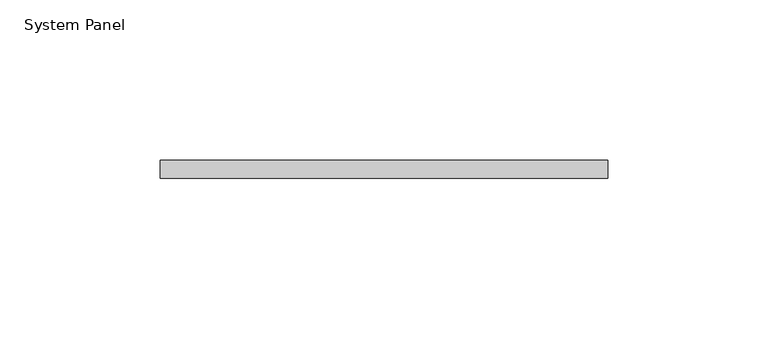
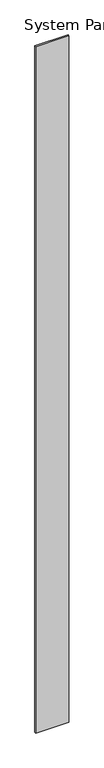
"""IFC4 building model written with IfcOpenShell, lengths in millimetres: plate geometry, System Panel."""

import ifcopenshell
import ifcopenshell.guid

model = None  # the IFC model being written
_history = None  # IfcOwnerHistory: only IFC2X3 demands one
_inside = {}  # id of a spatial element -> (the spatial element, [elements in it])
_under = {}  # id of a project, library or spatial element -> (it, [spatial elements below it])
_declared = {}  # id of a project -> (the project, [libraries it declares])
_typed = {}  # id of a type object -> (the type object, [elements of that type])
_made_of = {}  # id of a material, layer set ... -> (it, [elements and type objects made of it])


def new_model(schema):
    """Start an empty IFC model of exactly this schema.

    Asked for "IFC4X3", IfcOpenShell would pick the latest addendum, in which some entities
    have other attributes; the version numbers below select the first issue.
    IFC2X3 requires an IfcOwnerHistory on every rooted entity: one is made here for all.
    """
    global model, _history
    if schema == "IFC4X3":
        model = ifcopenshell.file(schema_version=(4, 3, 0, 0))
    else:
        model = ifcopenshell.file(schema=schema)
    _inside.clear()
    _under.clear()
    _declared.clear()
    _typed.clear()
    _made_of.clear()
    _history = None
    if model.schema == "IFC2X3":
        org = make("IfcOrganization", Name="unknown")
        user = make(
            "IfcPersonAndOrganization",
            ThePerson=make("IfcPerson", FamilyName="unknown"),
            TheOrganization=org,
        )
        app = make(
            "IfcApplication",
            ApplicationDeveloper=org,
            Version="unknown",
            ApplicationFullName="unknown",
            ApplicationIdentifier="unknown",
        )
        _history = make(
            "IfcOwnerHistory",
            OwningUser=user,
            OwningApplication=app,
            ChangeAction="ADDED",
            CreationDate=0,
        )
    return model


def make(cls, **values):
    """One entity of the class cls with the attributes given. An attribute that is None is left unset."""
    return model.create_entity(
        cls, **{name: value for name, value in values.items() if value is not None}
    )


def rooted(cls, **values):
    """An entity with a GlobalId (a new one), such as an element, a storey or a relation."""
    return make(cls, GlobalId=ifcopenshell.guid.new(), OwnerHistory=_history, **values)


def si_unit(unit_type, name, prefix=None):
    """IfcSIUnit, for example si_unit("LENGTHUNIT", "METRE", prefix="MILLI")."""
    return make("IfcSIUnit", UnitType=unit_type, Prefix=prefix, Name=name)


def assignment(units):
    """IfcUnitAssignment: the units of a project."""
    return None if units is None else make("IfcUnitAssignment", Units=units)


def point(xyz):
    """IfcCartesianPoint."""
    return None if xyz is None else make("IfcCartesianPoint", Coordinates=xyz)


def direction(xyz):
    """IfcDirection."""
    return None if xyz is None else make("IfcDirection", DirectionRatios=xyz)


def frame(location, z_axis=None, x_axis=None):
    """IfcAxis2Placement3D, a coordinate frame: its origin and axes. An axis left out is left unset."""
    return make(
        "IfcAxis2Placement3D",
        Location=point(location),
        Axis=direction(z_axis),
        RefDirection=direction(x_axis),
    )


def origin():
    """The frame at (0, 0, 0) with its axes left unset."""
    return frame((0.0, 0.0, 0.0))


def origin_with_axes():
    """The frame at (0, 0, 0) with the z axis (0, 0, 1) and the x axis (1, 0, 0) written out."""
    return frame((0.0, 0.0, 0.0), z_axis=(0.0, 0.0, 1.0), x_axis=(1.0, 0.0, 0.0))


def place(relative_to, where):
    """IfcLocalPlacement: puts the frame where relative to a parent placement (None: the world)."""
    return make(
        "IfcLocalPlacement", PlacementRelTo=relative_to, RelativePlacement=where
    )


def context(
    kind, dimensions, precision=None, world=None, true_north=None, identifier=None
):
    """IfcGeometricRepresentationContext, for example the 3D "Model" context."""
    return make(
        "IfcGeometricRepresentationContext",
        ContextIdentifier=identifier,
        ContextType=kind,
        CoordinateSpaceDimension=dimensions,
        Precision=precision,
        WorldCoordinateSystem=world,
        TrueNorth=true_north,
    )


def project(units=None, contexts=None):
    """IfcProject with its units and contexts."""
    return rooted(
        "IfcProject",
        Name="project",
        RepresentationContexts=contexts,
        UnitsInContext=assignment(units),
    )


def spatial(cls, under=None, at=None, **own):
    """A site, building, storey or space (cls), placed at a placement, below another one or the project."""
    s = rooted(cls, ObjectPlacement=at, **own)
    if under is not None:
        _under.setdefault(under.id(), (under, []))[1].append(s)
    return s


def polyline(points):
    """IfcPolyline through the points."""
    return make("IfcPolyline", Points=[point(p) for p in points])


def outline(outer, holes=None, kind="AREA"):
    """IfcArbitraryClosedProfileDef: a profile drawn as a closed curve; with holes, ...WithVoids."""
    if holes is None:
        return make("IfcArbitraryClosedProfileDef", ProfileType=kind, OuterCurve=outer)
    return make(
        "IfcArbitraryProfileDefWithVoids",
        ProfileType=kind,
        OuterCurve=outer,
        InnerCurves=holes,
    )


def extrude(swept, where, along, depth):
    """IfcExtrudedAreaSolid: the profile swept, set in the frame where, extruded along a direction by depth."""
    return make(
        "IfcExtrudedAreaSolid",
        SweptArea=swept,
        Position=where,
        ExtrudedDirection=direction(along),
        Depth=depth,
    )


def shape(context_of_items, identifier, shape_type, items):
    """IfcShapeRepresentation: the items that make up one representation, for example the "Body"."""
    return make(
        "IfcShapeRepresentation",
        ContextOfItems=context_of_items,
        RepresentationIdentifier=identifier,
        RepresentationType=shape_type,
        Items=items,
    )


def source(mapping_origin, context_of_items, identifier, shape_type, items):
    """IfcRepresentationMap: a shape defined once, which mapped items show again and again."""
    return make(
        "IfcRepresentationMap",
        MappingOrigin=mapping_origin,
        MappedRepresentation=shape(context_of_items, identifier, shape_type, items),
    )


def transform(
    local_origin,
    x_axis=None,
    y_axis=None,
    z_axis=None,
    scale=None,
    scale2=None,
    scale3=None,
    uniform=True,
):
    """IfcCartesianTransformationOperator3D, or its non-uniform kind. x_axis, y_axis, z_axis: its Axis1, 2, 3."""
    if uniform:
        return make(
            "IfcCartesianTransformationOperator3D",
            Axis1=direction(x_axis),
            Axis2=direction(y_axis),
            LocalOrigin=point(local_origin),
            Scale=scale,
            Axis3=direction(z_axis),
        )
    return make(
        "IfcCartesianTransformationOperator3DnonUniform",
        Axis1=direction(x_axis),
        Axis2=direction(y_axis),
        LocalOrigin=point(local_origin),
        Scale=scale,
        Axis3=direction(z_axis),
        Scale2=scale2,
        Scale3=scale3,
    )


def mapped(mapping_source, mapping_target):
    """IfcMappedItem: shows the shape of a source again, moved by a transform."""
    return make(
        "IfcMappedItem", MappingSource=mapping_source, MappingTarget=mapping_target
    )


def made_of(thing, what):
    """Note that an element or type object is made of a material, layer set ...; save() writes the relation."""
    if what is not None:
        _made_of.setdefault(what.id(), (what, []))[1].append(thing)
    return thing


def element(
    cls,
    number,
    at=None,
    inside=None,
    cuts=None,
    type_object=None,
    material=None,
    context=None,
    identifier="Body",
    shape_type=None,
    held_by="IfcProductDefinitionShape",
    body=None,
    shapes=None,
    **own,
):
    """One element of the class cls, such as IfcWall. Its Tag is "e" and its number.

    at: its placement. inside: the storey or other place that contains it. cuts: it is an
    opening in that element (IfcRelVoidsElement). A single representation is given by context,
    identifier, shape_type and body (its items); several are given by shapes. held_by: the class
    of the entity that holds the representations. save() writes the other relations.
    """
    e = rooted(cls, Tag="e%d" % number, ObjectPlacement=at, **own)
    if body is not None:
        shapes = [shape(context, identifier, shape_type, body)]
    if shapes is not None:
        e.Representation = make(held_by, Representations=shapes)
    if inside is not None:
        _inside.setdefault(inside.id(), (inside, []))[1].append(e)
    if cuts is not None:
        rooted(
            "IfcRelVoidsElement", RelatingBuildingElement=cuts, RelatedOpeningElement=e
        )
    if type_object is not None:
        _typed.setdefault(type_object.id(), (type_object, []))[1].append(e)
    return made_of(e, material)


def aggregate(whole, parts):
    """IfcRelAggregates: a whole, such as a stair, and the parts it consists of."""
    return rooted("IfcRelAggregates", RelatingObject=whole, RelatedObjects=parts)


def save(model, path):
    """Write the relations noted so far, then the file.

    IfcRelAggregates (storeys below a building ...), IfcRelContainedInSpatialStructure (elements
    in a storey), IfcRelDefinesByType, IfcRelAssociatesMaterial and IfcRelDeclares: one each for
    every whole, place, type object, material and project.
    """
    for whole, parts in _under.values():
        aggregate(whole, parts)
    for where, things in _inside.values():
        rooted(
            "IfcRelContainedInSpatialStructure",
            RelatedElements=things,
            RelatingStructure=where,
        )
    for kind, things in _typed.values():
        rooted("IfcRelDefinesByType", RelatedObjects=things, RelatingType=kind)
    for what, things in _made_of.values():
        rooted("IfcRelAssociatesMaterial", RelatedObjects=things, RelatingMaterial=what)
    for by, libraries in _declared.values():
        rooted("IfcRelDeclares", RelatingContext=by, RelatedDefinitions=libraries)
    model.write(path)


def system_panel_b32184bb(model_context):
    return source(origin(), model_context, "Body", "SweptSolid", [
        extrude(outline(polyline([(69.85, -5.55625), (-69.85, -5.55625), (-69.85, 0.0), (69.85, 0.0), (69.85, -5.55625)])), origin_with_axes(), (0.0, 0.0, 1.0), 3048.0),
    ])


if __name__ == "__main__":
    model = new_model("IFC4")
    model_context = context("Model", 3, world=origin())
    ifc_project = project(units=[si_unit("LENGTHUNIT", "METRE", prefix="MILLI")], contexts=[model_context])
    site = spatial("IfcSite", under=ifc_project)
    building = spatial("IfcBuilding", under=site)
    placement = place(None, origin())
    system_panel_shape = system_panel_b32184bb(model_context)
    element("IfcPlate", 1, ObjectType="System Panel", at=placement, inside=building, context=model_context, shape_type="MappedRepresentation", body=[
        mapped(system_panel_shape, transform((0.0, 0.0, 0.0), x_axis=(1.0, 0.0, 0.0), y_axis=(0.0, 1.0, 0.0), z_axis=(0.0, 0.0, 1.0))),
    ])
    save(model, "model.ifc")
